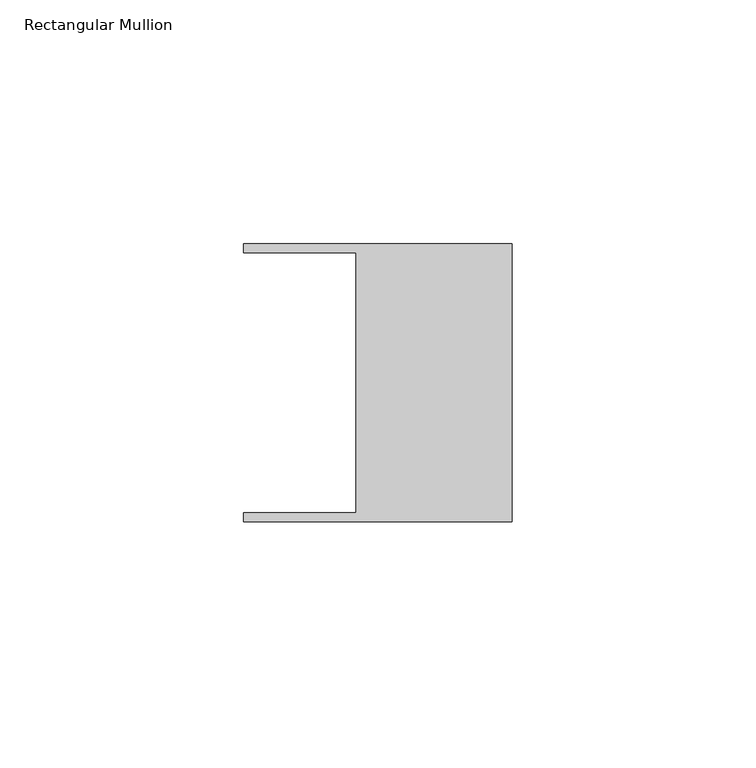
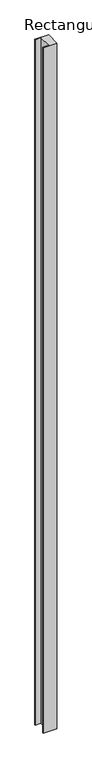
"""IFC4 building model written with IfcOpenShell, lengths in millimetres: member geometry, Rectangular Mullion."""

from ifc_helpers import new_model, si_unit, frame, origin, place, context, project, spatial, polyline, outline, extrude, source, transform, mapped, element, save


def rectangular_mullion_0dde9ea9(model_context):
    return source(origin(), model_context, "Body", "SweptSolid", [
        extrude(outline(polyline([(-32.004, 26.67), (-54.991, 26.67), (-54.991, 28.448), (0.0, 28.448), (0.0, -28.448), (-54.991, -28.448), (-54.991, -26.67), (-32.004, -26.67), (-32.004, 26.67)])), frame((0.0, 0.0, -2895.6), z_axis=(0.0, 0.0, 1.0), x_axis=(1.0, 0.0, 0.0)), (0.0, 0.0, 1.0), 2895.6),
    ])


if __name__ == "__main__":
    model = new_model("IFC4")
    model_context = context("Model", 3, world=origin())
    ifc_project = project(units=[si_unit("LENGTHUNIT", "METRE", prefix="MILLI")], contexts=[model_context])
    site = spatial("IfcSite", under=ifc_project)
    building = spatial("IfcBuilding", under=site)
    placement = place(None, origin())
    rectangular_mullion_shape = rectangular_mullion_0dde9ea9(model_context)
    element("IfcMember", 1, ObjectType="Rectangular Mullion", at=placement, inside=building, context=model_context, shape_type="MappedRepresentation", body=[
        mapped(rectangular_mullion_shape, transform((0.0, 0.0, 0.0), x_axis=(1.0, 0.0, 0.0), y_axis=(0.0, 1.0, 0.0), z_axis=(0.0, 0.0, 1.0))),
    ])
    save(model, "model.ifc")
